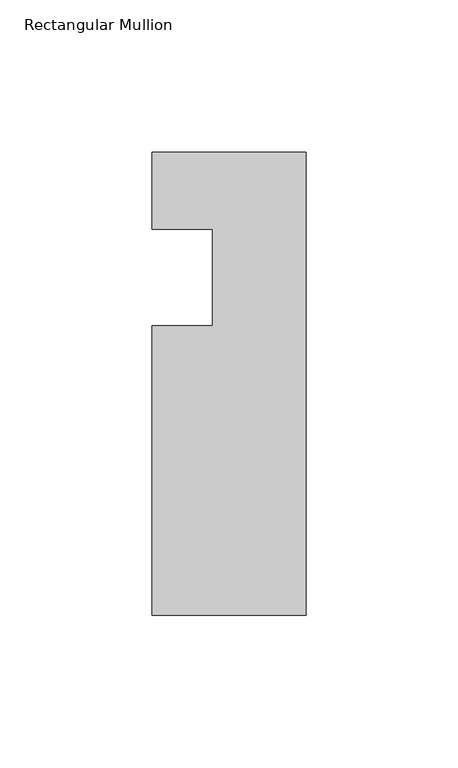
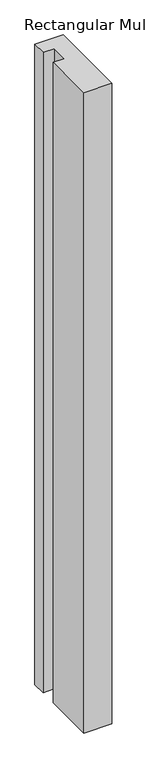
"""IFC4 building model written with IfcOpenShell, lengths in millimetres: member geometry, Rectangular Mullion."""

from ifc_helpers import new_model, si_unit, frame, origin, place, context, project, spatial, polyline, outline, extrude, source, transform, mapped, element, save


def rectangular_mullion_4edda5a3(model_context):
    return source(origin(), model_context, "Body", "SweptSolid", [
        extrude(outline(polyline([(-50.8, -146.05), (-50.8, -50.8), (-30.8102, -50.8), (-30.8102, -19.05), (-50.8, -19.05), (-50.8, 6.35), (0.0, 6.35), (0.0, -146.05), (-50.8, -146.05)])), frame((0.0, 0.0, -1219.2), z_axis=(0.0, 0.0, 1.0), x_axis=(1.0, 0.0, 0.0)), (0.0, 0.0, 1.0), 1219.2),
    ])


if __name__ == "__main__":
    model = new_model("IFC4")
    model_context = context("Model", 3, world=origin())
    ifc_project = project(units=[si_unit("LENGTHUNIT", "METRE", prefix="MILLI")], contexts=[model_context])
    site = spatial("IfcSite", under=ifc_project)
    building = spatial("IfcBuilding", under=site)
    placement = place(None, origin())
    rectangular_mullion_shape = rectangular_mullion_4edda5a3(model_context)
    element("IfcMember", 1, ObjectType="Rectangular Mullion", at=placement, inside=building, context=model_context, shape_type="MappedRepresentation", body=[
        mapped(rectangular_mullion_shape, transform((0.0, 0.0, 0.0), x_axis=(1.0, 0.0, 0.0), y_axis=(0.0, 1.0, 0.0), z_axis=(0.0, 0.0, 1.0))),
    ])
    save(model, "model.ifc")
